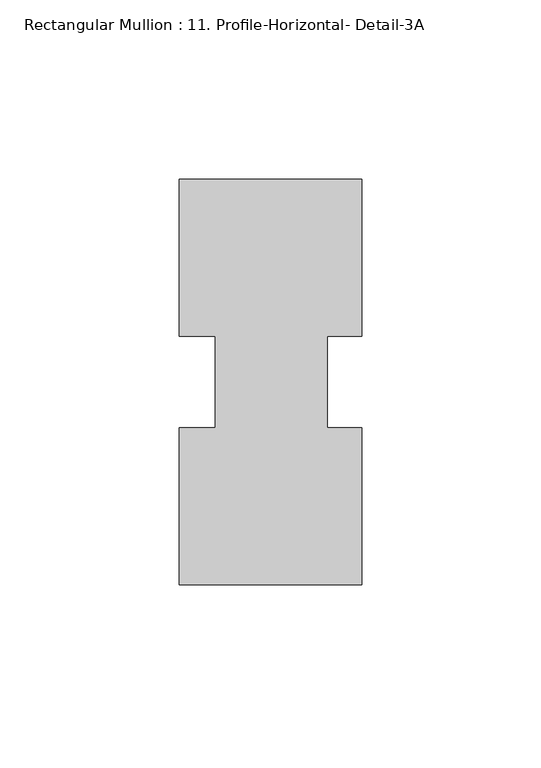
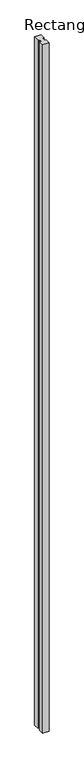
"""IFC4 building model written with IfcOpenShell, lengths in millimetres: member geometry, Rectangular Mullion : 11. Profile-Horizontal- Detail-3A."""

from ifc_helpers import new_model, si_unit, frame, origin, place, context, project, spatial, polyline, outline, extrude, source, transform, mapped, element, save


def rectangular_mullion_11_profile_horizontal_detail_3a_c3a68b5c(model_context):
    return source(origin(), model_context, "Body", "SweptSolid", [
        extrude(outline(polyline([(25.3968885, -56.5435115), (-25.4031115, -56.5435115), (-25.4031115, -12.7581776), (-15.433617, -12.7581776), (-15.433617, 12.7295207), (-25.4031115, 12.7295207), (-25.4031115, 56.5372885), (25.4159385, 56.5372885), (25.4159385, 12.7359559), (15.8718885, 12.7359559), (15.8718885, -12.7581776), (25.3968885, -12.7581776), (25.3968885, -56.5435115)])), frame((0.0, 0.0, -5921.6392262), z_axis=(0.0, 0.0, 1.0), x_axis=(1.0, 0.0, 0.0)), (0.0, 0.0, 1.0), 5921.6392262),
    ])


if __name__ == "__main__":
    model = new_model("IFC4")
    model_context = context("Model", 3, world=origin())
    ifc_project = project(units=[si_unit("LENGTHUNIT", "METRE", prefix="MILLI")], contexts=[model_context])
    site = spatial("IfcSite", under=ifc_project)
    building = spatial("IfcBuilding", under=site)
    placement = place(None, origin())
    rectangular_mullion_11_profile_horizontal_detail_3a_shape = rectangular_mullion_11_profile_horizontal_detail_3a_c3a68b5c(model_context)
    element("IfcMember", 1, ObjectType="Rectangular Mullion : 11. Profile-Horizontal- Detail-3A", at=placement, inside=building, context=model_context, shape_type="MappedRepresentation", body=[
        mapped(rectangular_mullion_11_profile_horizontal_detail_3a_shape, transform((0.0, 0.0, 0.0), x_axis=(1.0, 0.0, 0.0), y_axis=(0.0, 1.0, 0.0), z_axis=(0.0, 0.0, 1.0))),
    ])
    save(model, "model.ifc")
